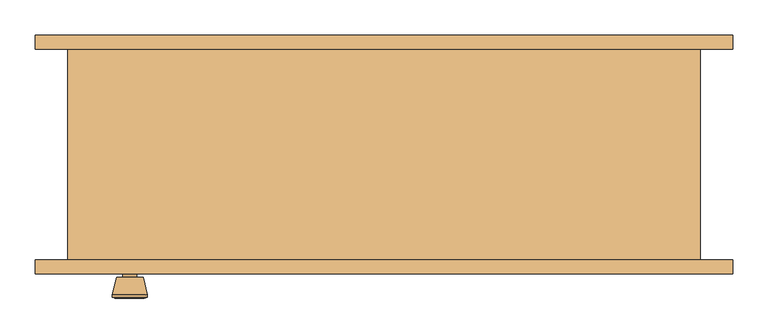
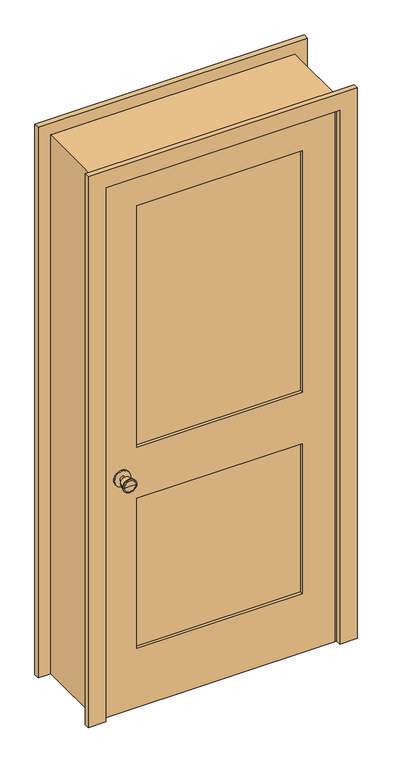
"""IFC4 building model written with IfcOpenShell, lengths in millimetres: door geometry."""

from ifc_helpers import new_model, si_unit, point, frame, frame_2d, origin, place, context, project, spatial, polyline, circle_curve, trimmed, segment, composite_curve, outline, extrude, faceted_brep, source, transform, mapped, element, save
from ifc_brep_helpers import plane_surface, cylinder_surface, revolved_surface, advanced_brep


def door_e2f8c053(model_context):
    return source(origin(), model_context, "Body", "SolidModel", [
        advanced_brep(
        [(-361.5, -105.825, 914.4), (-371.5, -105.825, 914.4), (-351.5, -105.825, 914.4), (-341.0241324, -56.825, 914.4), (-381.9758676, -56.825, 914.4), (-361.5, -56.825, 914.4), (-336.5, -58.6528681, 914.4), (-386.5, -58.6528681, 914.4), (-336.5, -62.1165463, 914.4), (-386.5, -62.1165463, 914.4), (-342.863764, -86.825, 914.4), (-380.136236, -86.825, 914.4), (-351.5, -86.825, 914.4), (-371.5, -86.825, 914.4)],
        [
            (0, 1),
            (1, 2, circle_curve(frame((-361.5, -105.825, 914.4), z_axis=(0.0, -1.0, 0.0), x_axis=(-1.0, 0.0, 0.0)), 10.0)),
            (2, 0),
            (2, 1, circle_curve(frame((-361.5, -105.825, 914.4), z_axis=(0.0, -1.0, 0.0), x_axis=(-1.0, 0.0, 0.0)), 10.0)),
            (3, 4, circle_curve(frame((-361.5, -56.825, 914.4), z_axis=(0.0, 1.0, 0.0), x_axis=(-1.0, 0.0, 0.0)), 20.4758676)),
            (4, 5),
            (5, 3),
            (4, 3, circle_curve(frame((-361.5, -56.825, 914.4), z_axis=(0.0, 1.0, 0.0), x_axis=(-1.0, 0.0, 0.0)), 20.4758676)),
            (6, 7, circle_curve(frame((-361.5, -58.6528681, 914.4), z_axis=(0.0, 1.0, 0.0), x_axis=(-1.0, 0.0, 0.0)), 25.0)),
            (7, 4),
            (3, 6),
            (7, 6, circle_curve(frame((-361.5, -58.6528681, 914.4), z_axis=(0.0, 1.0, 0.0), x_axis=(-1.0, 0.0, 0.0)), 25.0)),
            (8, 9, circle_curve(frame((-361.5, -62.1165463, 914.4), z_axis=(0.0, 1.0, 0.0), x_axis=(-1.0, 0.0, 0.0)), 25.0)),
            (9, 7),
            (6, 8),
            (9, 8, circle_curve(frame((-361.5, -62.1165463, 914.4), z_axis=(0.0, 1.0, 0.0), x_axis=(-1.0, 0.0, 0.0)), 25.0)),
            (10, 11, circle_curve(frame((-361.5, -86.825, 914.4), z_axis=(0.0, 1.0, 0.0), x_axis=(-1.0, 0.0, 0.0)), 18.636236)),
            (11, 9),
            (8, 10),
            (11, 10, circle_curve(frame((-361.5, -86.825, 914.4), z_axis=(0.0, 1.0, 0.0), x_axis=(-1.0, 0.0, 0.0)), 18.636236)),
            (12, 13, circle_curve(frame((-361.5, -86.825, 914.4), z_axis=(0.0, 1.0, 0.0), x_axis=(-1.0, 0.0, 0.0)), 10.0)),
            (13, 11),
            (10, 12),
            (13, 12, circle_curve(frame((-361.5, -86.825, 914.4), z_axis=(0.0, 1.0, 0.0), x_axis=(-1.0, 0.0, 0.0)), 10.0)),
            (1, 13),
            (12, 2),
        ],
        [
            plane_surface(frame((-361.5, -105.825, 914.4), z_axis=(0.0, -1.0, 0.0), x_axis=(-1.0, 0.0, 0.0))),
            plane_surface(frame((-361.5, -56.825, 914.4), z_axis=(0.0, 1.0, 0.0), x_axis=(-1.0, 0.0, 0.0))),
            revolved_surface(polyline([(-381.9758676, -56.825, 914.4), (-386.5, -58.6528681, 914.4)]), (-361.5, -105.825, 914.4), (0.0, -1.0, 0.0)),
            cylinder_surface(frame((-361.5, -105.825, 914.4), z_axis=(0.0, -1.0, 0.0), x_axis=(-1.0, 0.0, 0.0)), 25.0),
            revolved_surface(polyline([(-386.5, -62.1165463, 914.4), (-380.136236, -86.825, 914.4)]), (-361.5, -105.825, 914.4), (0.0, -1.0, 0.0)),
            plane_surface(frame((-361.5, -86.825, 914.4), z_axis=(0.0, -1.0, 0.0), x_axis=(-1.0, 0.0, 0.0))),
            cylinder_surface(frame((-361.5, -105.825, 914.4), z_axis=(0.0, -1.0, 0.0), x_axis=(-1.0, 0.0, 0.0)), 10.0),
        ],
        [
            (0, [[1, 2, 3]]),
            (0, [[-3, 4, -1]]),
            (1, [[5, 6, 7]]),
            (1, [[8, -7, -6]]),
            (2, [[9, 10, -5, 11]]),
            (2, [[12, -11, -8, -10]]),
            (3, [[13, 14, -9, 15]]),
            (3, [[16, -15, -12, -14]]),
            (4, [[17, 18, -13, 19]]),
            (4, [[20, -19, -16, -18]]),
            (5, [[21, 22, -17, 23]]),
            (5, [[24, -23, -20, -22]]),
            (6, [[-2, 25, -21, 26]]),
            (6, [[-4, -26, -24, -25]]),
        ],
    ),
        extrude(outline(composite_curve([segment(trimmed(circle_curve(frame_2d((914.4, -361.5)), 30.0), [point((914.4, -391.5))], [point((914.4, -331.5))], False, "CARTESIAN"), True, "CONTINUOUS"), segment(trimmed(circle_curve(frame_2d((914.4, -361.5)), 30.0), [point((914.4, -331.5))], [point((914.4, -391.5))], False, "CARTESIAN"), True, "CONTINUOUS")], self_intersect=False)), frame((0.0, -111.825, 0.0), z_axis=(0.0, 1.0, 0.0), x_axis=(0.0, 0.0, 1.0)), (0.0, 0.0, 1.0), 6.0),
        advanced_brep(
        [(-361.5, -152.825, 914.4), (-351.5, -152.825, 914.4), (-371.5, -152.825, 914.4), (-341.0241324, -201.825, 914.4), (-361.5, -201.825, 914.4), (-381.9758676, -201.825, 914.4), (-336.5, -199.9971319, 914.4), (-386.5, -199.9971319, 914.4), (-336.5, -196.5334537, 914.4), (-386.5, -196.5334537, 914.4), (-342.863764, -171.825, 914.4), (-380.136236, -171.825, 914.4), (-351.5, -171.825, 914.4), (-371.5, -171.825, 914.4)],
        [
            (0, 1),
            (1, 2, circle_curve(frame((-361.5, -152.825, 914.4), z_axis=(0.0, 1.0, 0.0), x_axis=(-1.0, 0.0, 0.0)), 10.0)),
            (2, 0),
            (2, 1, circle_curve(frame((-361.5, -152.825, 914.4), z_axis=(0.0, 1.0, 0.0), x_axis=(-1.0, 0.0, 0.0)), 10.0)),
            (3, 4),
            (4, 5),
            (5, 3, circle_curve(frame((-361.5, -201.825, 914.4), z_axis=(0.0, -1.0, 0.0), x_axis=(-1.0, 0.0, 0.0)), 20.4758676)),
            (3, 5, circle_curve(frame((-361.5, -201.825, 914.4), z_axis=(0.0, -1.0, 0.0), x_axis=(-1.0, 0.0, 0.0)), 20.4758676)),
            (6, 3),
            (5, 7),
            (7, 6, circle_curve(frame((-361.5, -199.9971319, 914.4), z_axis=(0.0, -1.0, 0.0), x_axis=(-1.0, 0.0, 0.0)), 25.0)),
            (6, 7, circle_curve(frame((-361.5, -199.9971319, 914.4), z_axis=(0.0, -1.0, 0.0), x_axis=(-1.0, 0.0, 0.0)), 25.0)),
            (8, 6),
            (7, 9),
            (9, 8, circle_curve(frame((-361.5, -196.5334537, 914.4), z_axis=(0.0, -1.0, 0.0), x_axis=(-1.0, 0.0, 0.0)), 25.0)),
            (8, 9, circle_curve(frame((-361.5, -196.5334537, 914.4), z_axis=(0.0, -1.0, 0.0), x_axis=(-1.0, 0.0, 0.0)), 25.0)),
            (10, 8),
            (9, 11),
            (11, 10, circle_curve(frame((-361.5, -171.825, 914.4), z_axis=(0.0, -1.0, 0.0), x_axis=(-1.0, 0.0, 0.0)), 18.636236)),
            (10, 11, circle_curve(frame((-361.5, -171.825, 914.4), z_axis=(0.0, -1.0, 0.0), x_axis=(-1.0, 0.0, 0.0)), 18.636236)),
            (12, 10),
            (11, 13),
            (13, 12, circle_curve(frame((-361.5, -171.825, 914.4), z_axis=(0.0, -1.0, 0.0), x_axis=(-1.0, 0.0, 0.0)), 10.0)),
            (12, 13, circle_curve(frame((-361.5, -171.825, 914.4), z_axis=(0.0, -1.0, 0.0), x_axis=(-1.0, 0.0, 0.0)), 10.0)),
            (1, 12),
            (13, 2),
        ],
        [
            plane_surface(frame((-361.5, -152.825, 914.4), z_axis=(0.0, 1.0, 0.0), x_axis=(-1.0, 0.0, 0.0))),
            plane_surface(frame((-361.5, -201.825, 914.4), z_axis=(0.0, -1.0, 0.0), x_axis=(-1.0, 0.0, 0.0))),
            revolved_surface(polyline([(-381.9758676, -201.825, 914.4), (-386.5, -199.9971319, 914.4)]), (-361.5, -152.825, 914.4), (0.0, 1.0, 0.0)),
            cylinder_surface(frame((-361.5, -152.825, 914.4), z_axis=(0.0, 1.0, 0.0), x_axis=(-1.0, 0.0, 0.0)), 25.0),
            revolved_surface(polyline([(-386.5, -196.5334537, 914.4), (-380.136236, -171.825, 914.4)]), (-361.5, -152.825, 914.4), (0.0, 1.0, 0.0)),
            plane_surface(frame((-361.5, -171.825, 914.4), z_axis=(0.0, 1.0, 0.0), x_axis=(-1.0, 0.0, 0.0))),
            cylinder_surface(frame((-361.5, -152.825, 914.4), z_axis=(0.0, 1.0, 0.0), x_axis=(-1.0, 0.0, 0.0)), 10.0),
        ],
        [
            (0, [[1, 2, 3]]),
            (0, [[-3, 4, -1]]),
            (1, [[5, 6, 7]]),
            (1, [[-6, -5, 8]]),
            (2, [[9, -7, 10, 11]]),
            (2, [[-10, -8, -9, 12]]),
            (3, [[13, -11, 14, 15]]),
            (3, [[-14, -12, -13, 16]]),
            (4, [[17, -15, 18, 19]]),
            (4, [[-18, -16, -17, 20]]),
            (5, [[21, -19, 22, 23]]),
            (5, [[-22, -20, -21, 24]]),
            (6, [[25, -23, 26, -2]]),
            (6, [[-26, -24, -25, -4]]),
        ],
    ),
        extrude(outline(composite_curve([segment(trimmed(circle_curve(frame_2d((914.4, -361.5)), 30.0), [point((914.4, -391.5))], [point((914.4, -331.5))], False, "CARTESIAN"), True, "CONTINUOUS"), segment(trimmed(circle_curve(frame_2d((914.4, -361.5)), 30.0), [point((914.4, -331.5))], [point((914.4, -391.5))], False, "CARTESIAN"), True, "CONTINUOUS")], self_intersect=False)), frame((0.0, -152.825, 0.0), z_axis=(0.0, 1.0, 0.0), x_axis=(0.0, 0.0, 1.0)), (0.0, 0.0, 1.0), 6.0),
        extrude(outline(polyline([(305.0, -123.4916667), (305.0, -135.1583333), (-305.0, -135.1583333), (-305.0, -123.4916667), (305.0, -123.4916667)])), frame((0.0, 0.0, 1014.4), z_axis=(0.0, 0.0, 1.0), x_axis=(1.0, 0.0, 0.0)), (0.0, 0.0, 1.0), 940.6),
        extrude(outline(polyline([(305.0, -123.4916667), (305.0, -135.1583333), (-305.0, -135.1583333), (-305.0, -123.4916667), (305.0, -123.4916667)])), frame((0.0, 0.0, 230.0), z_axis=(0.0, 0.0, 1.0), x_axis=(1.0, 0.0, 0.0)), (0.0, 0.0, 1.0), 584.4),
        extrude(outline(polyline([(2075.0, -425.0), (0.0, -425.0), (0.0, 425.0), (2075.0, 425.0), (2075.0, -425.0)]), holes=[polyline([(1955.0, -305.0), (1955.0, 305.0), (1014.4, 305.0), (1014.4, -305.0), (1955.0, -305.0)]), polyline([(814.4, -305.0), (814.4, 305.0), (230.0, 305.0), (230.0, -305.0), (814.4, -305.0)])]), frame((0.0, -146.825, 0.0), z_axis=(0.0, 1.0, 0.0), x_axis=(0.0, 0.0, 1.0)), (0.0, 0.0, 1.0), 35.0),
        faceted_brep([(450.0, -146.825, 0.0), (425.0, -146.825, 0.0), (425.0, -111.825, 0.0), (412.3, -111.825, 0.0), (412.3, -76.9, 0.0), (425.0, -76.9, 0.0), (425.0, 153.175, 0.0), (450.0, 153.175, 0.0), (450.0, 153.175, 2100.0), (450.0, -146.825, 2100.0), (425.0, 153.175, 2075.0), (-425.0, 153.175, 2075.0), (-425.0, 153.175, 0.0), (-450.0, 153.175, 0.0), (-450.0, 153.175, 2100.0), (425.0, -76.9, 2075.0), (412.3, -76.9, 2062.3), (-412.3, -76.9, 2062.3), (-412.3, -76.9, 0.0), (-425.0, -76.9, 0.0), (-425.0, -76.9, 2075.0), (412.3, -111.825, 2062.3), (425.0, -111.825, 2075.0), (-425.0, -111.825, 2075.0), (-425.0, -111.825, 0.0), (-412.3, -111.825, 0.0), (-412.3, -111.825, 2062.3), (425.0, -146.825, 2075.0), (-450.0, -146.825, 2100.0), (-450.0, -146.825, 0.0), (-425.0, -146.825, 0.0), (-425.0, -146.825, 2075.0)], [[[0, 1, 2, 3, 4, 5, 6, 7]], [[7, 8, 9, 0]], [[6, 10, 11, 12, 13, 14, 8, 7]], [[5, 15, 10, 6]], [[4, 16, 17, 18, 19, 20, 15, 5]], [[3, 21, 16, 4]], [[2, 22, 23, 24, 25, 26, 21, 3]], [[1, 27, 22, 2]], [[0, 9, 28, 29, 30, 31, 27, 1]], [[8, 14, 28, 9]], [[15, 20, 11, 10]], [[21, 26, 17, 16]], [[27, 31, 23, 22]], [[29, 13, 12, 19, 18, 25, 24, 30]], [[14, 13, 29, 28]], [[20, 19, 12, 11]], [[26, 25, 18, 17]], [[31, 30, 24, 23]]]),
        extrude(outline(polyline([(0.0, 496.35), (2146.35, 496.35), (2146.35, -496.35), (0.0, -496.35), (0.0, -431.35), (2081.35, -431.35), (2081.35, 431.35), (0.0, 431.35), (0.0, 496.35)])), frame((0.0, 153.175, 0.0), z_axis=(0.0, 1.0, 0.0), x_axis=(0.0, 0.0, 1.0)), (0.0, 0.0, 1.0), 20.0),
        extrude(outline(polyline([(0.0, 496.35), (2146.35, 496.35), (2146.35, -496.35), (0.0, -496.35), (0.0, -431.35), (2081.35, -431.35), (2081.35, 431.35), (0.0, 431.35), (0.0, 496.35)])), frame((0.0, -166.825, 0.0), z_axis=(0.0, 1.0, 0.0), x_axis=(0.0, 0.0, 1.0)), (0.0, 0.0, 1.0), 20.0),
    ])


if __name__ == "__main__":
    model = new_model("IFC4")
    model_context = context("Model", 3, world=origin())
    ifc_project = project(units=[si_unit("LENGTHUNIT", "METRE", prefix="MILLI")], contexts=[model_context])
    site = spatial("IfcSite", under=ifc_project)
    building = spatial("IfcBuilding", under=site)
    placement = place(None, origin())
    door_shape = door_e2f8c053(model_context)
    element("IfcDoor", 1, at=placement, inside=building, context=model_context, shape_type="MappedRepresentation", body=[
        mapped(door_shape, transform((0.0, 0.0, 0.0), x_axis=(1.0, 0.0, 0.0), y_axis=(0.0, 1.0, 0.0), z_axis=(0.0, 0.0, 1.0))),
    ])
    save(model, "model.ifc")
